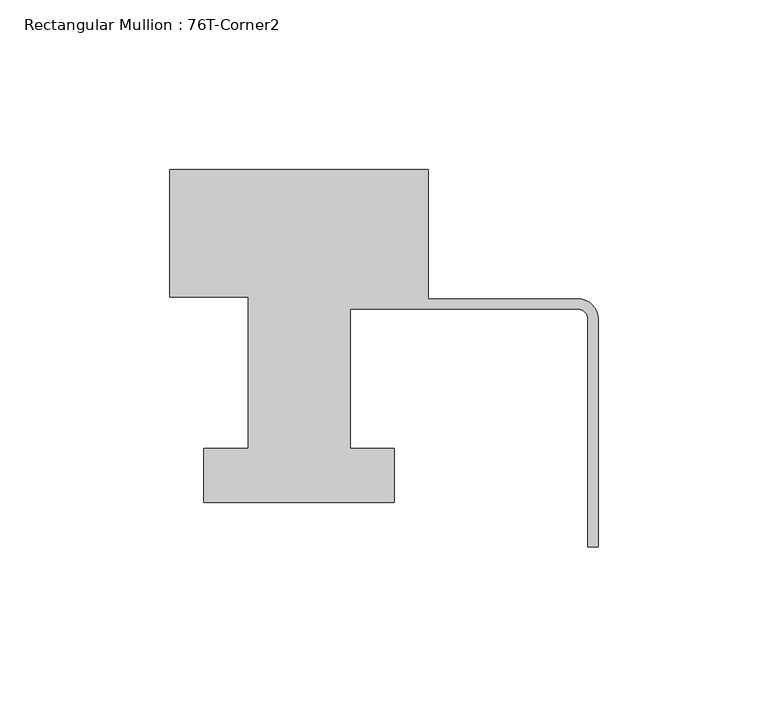
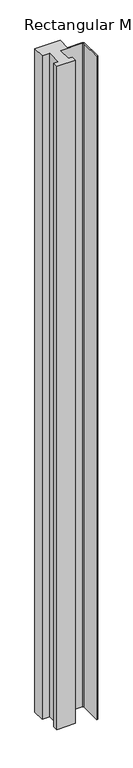
"""IFC4 building model written with IfcOpenShell, lengths in millimetres: member geometry, Rectangular Mullion : 76T-Corner2."""

from ifc_helpers import new_model, si_unit, point, frame, frame_2d, origin, place, context, project, spatial, polyline, circle_curve, trimmed, segment, composite_curve, outline, extrude, source, transform, mapped, element, save


def rectangular_mullion_76t_corner2_ab6b89ab(model_context):
    return source(origin(), model_context, "Body", "SweptSolid", [
        extrude(outline(composite_curve([segment(polyline([(-126.0, 38.0), (-50.0, 38.0), (-50.0, 0.0), (-6.0, 0.0)]), True, "CONTINUOUS"), segment(trimmed(circle_curve(frame_2d((-6.0, -6.0)), 6.0), [point((-6.0, 0.0))], [point((0.0, -6.0))], False, "CARTESIAN"), True, "CONTINUOUS"), segment(polyline([(0.0, -6.0), (0.0, -73.0), (-3.0, -73.0), (-3.0, -6.0)]), True, "CONTINUOUS"), segment(trimmed(circle_curve(frame_2d((-6.0, -6.0)), 3.0), [point((-3.0, -6.0))], [point((-6.0, -3.0))], True, "CARTESIAN"), True, "CONTINUOUS"), segment(polyline([(-6.0, -3.0), (-73.0, -3.0), (-73.0, -44.0), (-60.0, -44.0), (-60.0, -60.0), (-116.0, -60.0), (-116.0, -44.0), (-103.0, -44.0), (-103.0, 0.5), (-126.0, 0.5), (-126.0, 38.0)]), True, "CONTINUOUS")], self_intersect=False)), frame((0.0, 0.0, -2124.0), z_axis=(0.0, 0.0, 1.0), x_axis=(1.0, 0.0, 0.0)), (0.0, 0.0, 1.0), 2124.0),
    ])


if __name__ == "__main__":
    model = new_model("IFC4")
    model_context = context("Model", 3, world=origin())
    ifc_project = project(units=[si_unit("LENGTHUNIT", "METRE", prefix="MILLI")], contexts=[model_context])
    site = spatial("IfcSite", under=ifc_project)
    building = spatial("IfcBuilding", under=site)
    placement = place(None, origin())
    rectangular_mullion_76t_corner2_shape = rectangular_mullion_76t_corner2_ab6b89ab(model_context)
    element("IfcMember", 1, ObjectType="Rectangular Mullion : 76T-Corner2", at=placement, inside=building, context=model_context, shape_type="MappedRepresentation", body=[
        mapped(rectangular_mullion_76t_corner2_shape, transform((0.0, 0.0, 0.0), x_axis=(1.0, 0.0, 0.0), y_axis=(0.0, 1.0, 0.0), z_axis=(0.0, 0.0, 1.0))),
    ])
    save(model, "model.ifc")
